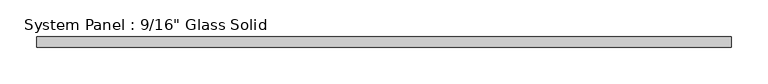
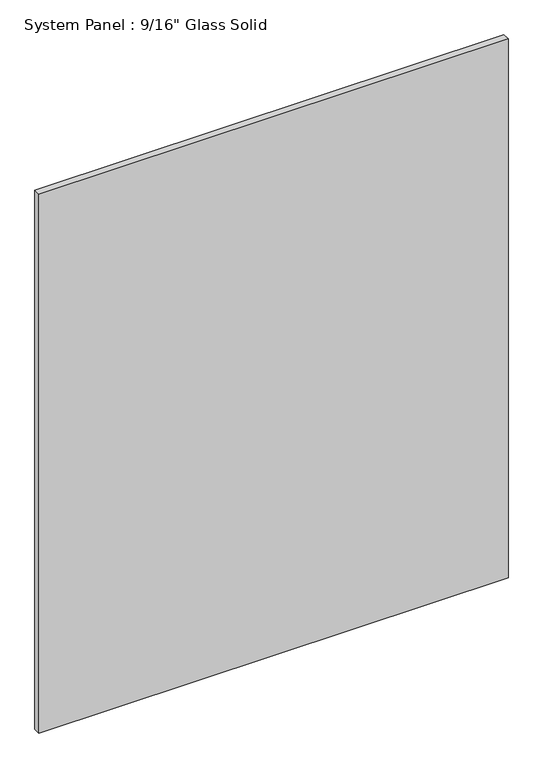
"""IFC4 building model written with IfcOpenShell, lengths in millimetres: plate geometry."""

from ifc_helpers import new_model, si_unit, origin, origin_with_axes, place, context, project, spatial, polyline, outline, extrude, source, transform, mapped, element, save


def plate_26446b78(model_context):
    return source(origin(), model_context, "Body", "SweptSolid", [
        extrude(outline(polyline([(473.6555865, -7.14375), (-473.6555865, -7.14375), (-473.6555865, 7.14375), (473.6555865, 7.14375), (473.6555865, -7.14375)])), origin_with_axes(), (0.0, 0.0, 1.0), 1150.5111731),
    ])


if __name__ == "__main__":
    model = new_model("IFC4")
    model_context = context("Model", 3, world=origin())
    ifc_project = project(units=[si_unit("LENGTHUNIT", "METRE", prefix="MILLI")], contexts=[model_context])
    site = spatial("IfcSite", under=ifc_project)
    building = spatial("IfcBuilding", under=site)
    placement = place(None, origin())
    plate_shape = plate_26446b78(model_context)
    element("IfcPlate", 1, ObjectType="System Panel : 9/16\" Glass Solid", at=placement, inside=building, context=model_context, shape_type="MappedRepresentation", body=[
        mapped(plate_shape, transform((0.0, 0.0, 0.0), x_axis=(1.0, 0.0, 0.0), y_axis=(0.0, 1.0, 0.0), z_axis=(0.0, 0.0, 1.0))),
    ])
    save(model, "model.ifc")
